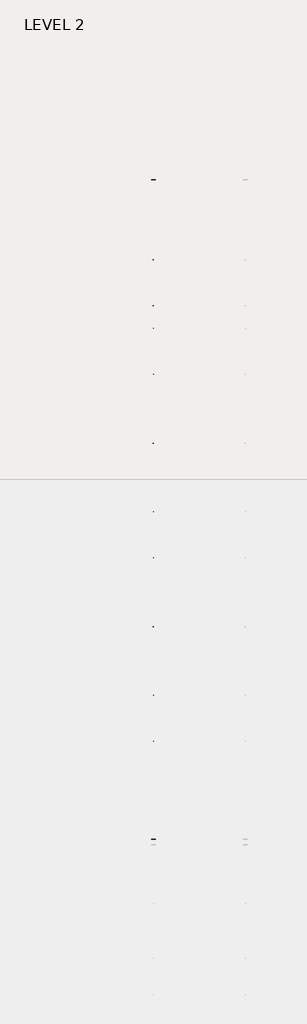
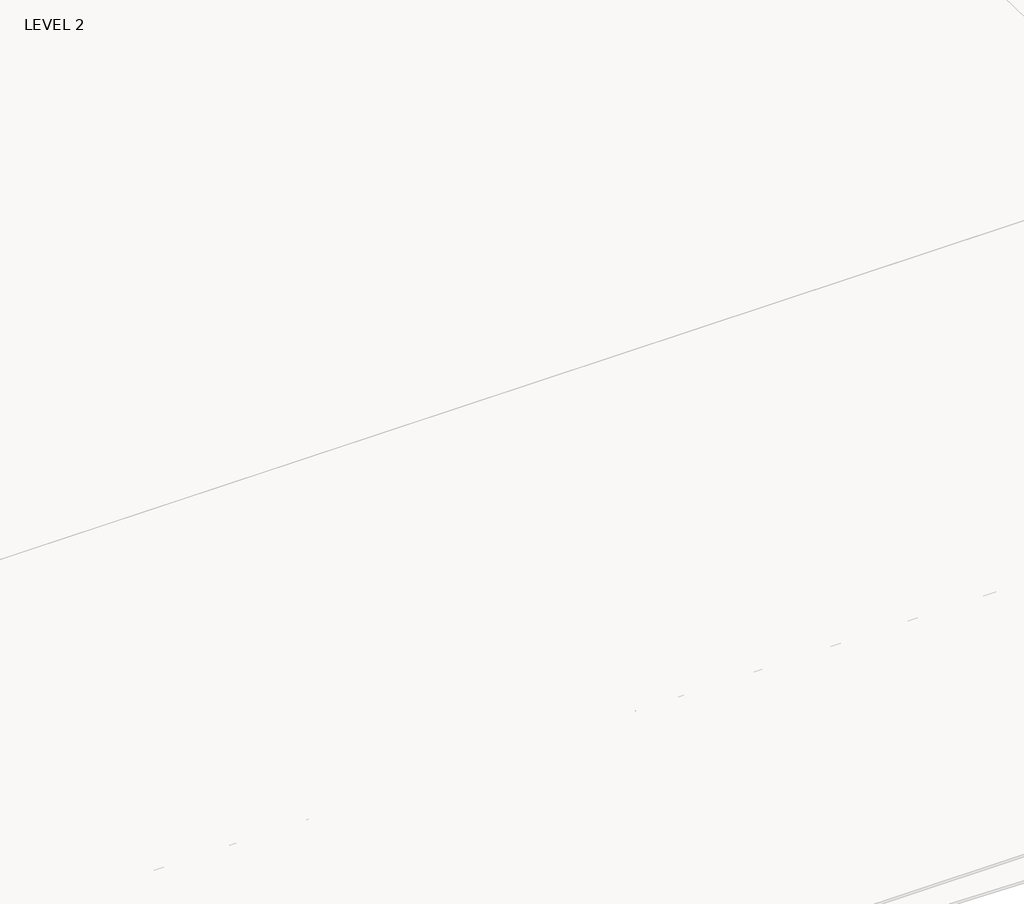
# One storey, part 58 of 67: 1 beam.
"""IFC4 building model written with IfcOpenShell, lengths in millimetres."""

from ifc_helpers import new_model, si_unit, frame, origin, place, context, project, spatial, polyline, outline, extrude, faceted_brep, element, save

model = new_model("IFC4")

# Units and contexts
model_context = context("Model", 3, world=origin())
ifc_project = project(units=[si_unit("LENGTHUNIT", "METRE", prefix="MILLI")], contexts=[model_context])

# Site, building, storey
site = spatial("IfcSite", under=ifc_project)
building = spatial("IfcBuilding", under=site)
storey = spatial("IfcBuildingStorey", under=building, Name="LEVEL 2", Elevation=6908.8)

# Beam
placement = place(None, origin())
element("IfcBeam", 1, ObjectType="K-Series Bar Joist-Angle Web : 30K7", at=placement, inside=storey, context=model_context, shape_type="SolidModel", body=[
    extrude(outline(polyline([(0.0, -9.525), (0.0, 0.0), (1596.011582, 0.0), (1596.011582, -9.525), (0.0, -9.525)])), frame((50252.3743742, 3035.5608234, 6301.5998528), z_axis=(0.0, -0.45537207995192985, 0.8903012236317849), x_axis=(0.0, -0.8903012236317849, -0.45537207995192985)), (0.0, 0.0, 1.0), 9.525),
    extrude(outline(polyline([(0.0, -9.525), (0.0, 0.0), (1596.011582, 0.0), (1596.011582, -9.525), (0.0, -9.525)])), frame((50242.8493742, -9405.2089013, 6276.405159), z_axis=(0.0, 0.45176233395621196, 0.8921383265046045), x_axis=(0.0, 0.8921383265046045, -0.45176233395621196)), (0.0, 0.0, 1.0), 9.525),
    extrude(outline(polyline([(4.7625, 4.7625), (4.7625, -4.7625), (-4.7625, -4.7625), (-4.7625, 4.7625), (4.7625, 4.7625)])), frame((50247.6118742, 1612.4610495, 5579.0607987), z_axis=(0.0, 0.5141906943646374, 0.8576758885667779), x_axis=(-1.0, 0.0, 0.0)), (0.0, 0.0, 1.0), 845.0528554),
    extrude(outline(polyline([(4.7625, 4.7625), (4.7625, -4.7625), (-4.7625, -4.7625), (-4.7625, 4.7625), (4.7625, 4.7625)])), frame((50247.6118742, -7979.1942813, 5559.6360505), z_axis=(0.0, -0.5176603441548682, 0.8555862131249332), x_axis=(-1.0, 0.0, 0.0)), (0.0, 0.0, 1.0), 845.0528554),
    extrude(outline(polyline([(0.0, 0.0), (31.75, 0.0), (31.75, -6.35), (6.35, -6.35), (6.35, -31.75), (0.0, -31.75), (0.0, 0.0)])), frame((50252.3743742, -8080.7812131, 5553.0803065), z_axis=(0.0, 0.9999979493462576, 0.0020251674695521043), x_axis=(1.0, 0.0, 0.0)), (0.0, 0.0, 1.0), 9794.875),
    extrude(outline(polyline([(-9.525, 0.0), (-9.525, -31.75), (-15.875, -31.75), (-15.875, -6.35), (-41.275, -6.35), (-41.275, 0.0), (-9.525, 0.0)])), frame((50252.3743742, -8080.7812131, 5553.0803065), z_axis=(0.0, 0.9999979493462576, 0.0020251674695521043), x_axis=(1.0, 0.0, 0.0)), (0.0, 0.0, 1.0), 9794.875),
    extrude(outline(polyline([(-31.75, 0.0), (0.0, 0.0), (0.0, -6.35), (-25.4, -6.35), (-25.4, -31.75), (-31.75, -31.75), (-31.75, 0.0)])), frame((50284.1243742, -9504.5928758, 6248.6982759), z_axis=(0.0, 0.9999979493462576, 0.0020251674695521043), x_axis=(1.0, 0.0, 0.0)), (0.0, 0.0, 1.0), 101.6),
    extrude(outline(polyline([(-41.275, 0.0), (-41.275, -31.75), (-47.625, -31.75), (-47.625, -6.35), (-73.025, -6.35), (-73.025, 0.0), (-41.275, 0.0)])), frame((50284.1243742, -9504.5928758, 6248.6982759), z_axis=(0.0, 0.9999979493462576, 0.0020251674695521043), x_axis=(1.0, 0.0, 0.0)), (0.0, 0.0, 1.0), 101.6),
    extrude(outline(polyline([(0.0, 0.0), (31.75, 0.0), (31.75, -6.35), (6.35, -6.35), (6.35, -31.75), (0.0, -31.75), (0.0, 0.0)])), frame((50242.8493742, 3033.456413, 6274.0899775), z_axis=(0.0, 0.9999979493462576, 0.0020251674695521043), x_axis=(0.0, -0.0020251674695521043, 0.9999979493462576)), (0.0, 0.0, 1.0), 101.6),
    extrude(outline(polyline([(0.0, 41.275), (6.35, 41.275), (6.35, 15.875), (31.75, 15.875), (31.75, 9.525), (0.0, 9.525), (0.0, 41.275)])), frame((50242.8493742, 3033.456413, 6274.0899775), z_axis=(0.0, 0.9999979493462576, 0.0020251674695521043), x_axis=(0.0, -0.0020251674695521043, 0.9999979493462576)), (0.0, 0.0, 1.0), 101.6),
    extrude(outline(polyline([(0.0, 0.0), (31.75, 0.0), (31.75, -6.35), (6.35, -6.35), (6.35, -31.75), (0.0, -31.75), (0.0, 0.0)])), frame((50252.3743742, -9504.7214739, 6312.1981457), z_axis=(0.0, 0.9999979493462576, 0.0020251674695521043), x_axis=(0.0, 0.0020251674695521043, -0.9999979493462576)), (0.0, 0.0, 1.0), 12639.675),
    extrude(outline(polyline([(0.0, 9.525), (0.0, 41.275), (6.35, 41.275), (6.35, 15.875), (31.75, 15.875), (31.75, 9.525), (0.0, 9.525)])), frame((50252.3743742, -9504.7214739, 6312.1981457), z_axis=(0.0, 0.9999979493462576, 0.0020251674695521043), x_axis=(0.0, 0.0020251674695521043, -0.9999979493462576)), (0.0, 0.0, 1.0), 12639.675),
    faceted_brep([(50247.6118742, 1612.4289, 5594.9357661), (50247.6118742, 1612.4674794, 5575.8858052), (50242.8493742, 1612.4674794, 5575.8858052), (50242.8493742, 1612.4289, 5594.9357661), (50247.6118742, 1611.5910583, 5594.9340693), (50247.6118742, 1186.8149607, 6330.6753354), (50247.6118742, 1168.6028414, 6330.6384527), (50247.6118742, 1168.6414208, 6311.5884918), (50247.6118742, 1175.8292494, 6311.6030483), (50247.6118742, 1600.6053471, 5575.8617823), (50242.8493742, 1600.6053471, 5575.8617823), (50242.8493742, 1580.4651011, 5610.7460665), (50242.8493742, 1584.5895575, 5613.1272983), (50242.8493742, 1189.1083632, 6298.1277874), (50242.8493742, 1184.9839067, 6295.7465555), (50242.8493742, 1175.8292494, 6311.6030483), (50242.8493742, 1168.6414208, 6311.5884918), (50242.8493742, 1168.6028414, 6330.6384527), (50242.8493742, 1186.8149607, 6330.6753354), (50242.8493742, 1611.5910583, 5594.9340693), (50230.1493742, 1184.9839067, 6295.7465555), (50230.1493742, 1580.4651011, 5610.7460665), (50230.1493742, 1584.5895575, 5613.1272983), (50230.1493742, 1189.1083632, 6298.1277874)], [[[0, 1, 2, 3]], [[1, 0, 4, 5, 6, 7, 8, 9]], [[2, 1, 9, 10]], [[3, 2, 10, 11, 12, 13, 14, 15, 16, 17, 18, 19]], [[0, 3, 19, 4]], [[9, 8, 15, 14, 20, 21, 11, 10]], [[5, 4, 19, 18]], [[7, 6, 17, 16]], [[8, 7, 16, 15]], [[6, 5, 18, 17]], [[21, 22, 12, 11]], [[20, 14, 13, 23]], [[22, 21, 20, 23]], [[12, 22, 23, 13]]]),
    extrude(outline(polyline([(740.498813, 5574.119919), (740.4602335, 5593.1698799), (741.2980751, 5593.1715767), (1163.090696, 6330.6272897), (1181.3028154, 6330.6641723), (1181.3413948, 6311.6142114), (1174.1535662, 6311.5996548), (752.3609453, 5574.1439418), (740.498813, 5574.119919)])), frame((50247.6118742, 0.0, 0.0), z_axis=(1.0, 0.0, 0.0), x_axis=(0.0, 1.0, 0.0)), (0.0, 0.0, 1.0), 4.7625),
    extrude(outline(polyline([(-4.7625, 4.7625), (-4.7625, 0.0), (-17.4625, 0.0), (-17.4625, 4.7625), (-4.7625, 4.7625)])), frame((50247.6118742, 772.3597334, 5609.1095144), z_axis=(0.0, 0.4964843899757221, 0.8680456500152716), x_axis=(-1.0, 0.0, 0.0)), (0.0, 0.0, 1.0), 790.9684223),
    faceted_brep([(50247.6118742, -7107.2577644, 5577.2769041), (50247.6118742, -7107.219185, 5558.2269432), (50242.8493742, -7107.219185, 5558.2269432), (50242.8493742, -7107.2577644, 5577.2769041), (50247.6118742, -7108.095606, 5577.2752074), (50247.6118742, -7532.8717036, 6313.0164734), (50247.6118742, -7551.083823, 6312.9795907), (50247.6118742, -7551.0452435, 6293.9296298), (50247.6118742, -7543.8574149, 6293.9441864), (50247.6118742, -7119.0813173, 5558.2029203), (50242.8493742, -7119.0813173, 5558.2029203), (50242.8493742, -7139.2215633, 5593.0872045), (50242.8493742, -7135.0971068, 5595.4684363), (50242.8493742, -7530.5783012, 6280.4689254), (50242.8493742, -7534.7027576, 6278.0876936), (50242.8493742, -7543.8574149, 6293.9441864), (50242.8493742, -7551.0452435, 6293.9296298), (50242.8493742, -7551.083823, 6312.9795907), (50242.8493742, -7532.8717036, 6313.0164734), (50242.8493742, -7108.095606, 5577.2752074), (50230.1493742, -7534.7027576, 6278.0876936), (50230.1493742, -7139.2215633, 5593.0872045), (50230.1493742, -7135.0971068, 5595.4684363), (50230.1493742, -7530.5783012, 6280.4689254)], [[[0, 1, 2, 3]], [[1, 0, 4, 5, 6, 7, 8, 9]], [[2, 1, 9, 10]], [[3, 2, 10, 11, 12, 13, 14, 15, 16, 17, 18, 19]], [[0, 3, 19, 4]], [[9, 8, 15, 14, 20, 21, 11, 10]], [[5, 4, 19, 18]], [[7, 6, 17, 16]], [[8, 7, 16, 15]], [[6, 5, 18, 17]], [[21, 22, 12, 11]], [[20, 14, 13, 23]], [[22, 21, 20, 23]], [[12, 22, 23, 13]]]),
    extrude(outline(polyline([(-7979.1878514, 5556.461057), (-7979.2264308, 5575.5110179), (-7978.3885892, 5575.5127147), (-7556.5959683, 6312.9684277), (-7538.383849, 6313.0053103), (-7538.3452696, 6293.9553494), (-7545.5330982, 6293.9407928), (-7967.3257191, 5556.4850798), (-7979.1878514, 5556.461057)])), frame((50247.6118742, 0.0, 0.0), z_axis=(1.0, 0.0, 0.0), x_axis=(0.0, 1.0, 0.0)), (0.0, 0.0, 1.0), 4.7625),
    extrude(outline(polyline([(-4.7625, 4.7625), (-4.7625, 0.0), (-17.4625, 0.0), (-17.4625, 4.7625), (-4.7625, 4.7625)])), frame((50247.6118742, -7947.326931, 5591.4506524), z_axis=(0.0, 0.4964843899757221, 0.8680456500152716), x_axis=(-1.0, 0.0, 0.0)), (0.0, 0.0, 1.0), 790.9684223),
    faceted_brep([(50247.6118742, 740.4602335, 5593.1698799), (50247.6118742, 740.498813, 5574.119919), (50242.8493742, 740.498813, 5574.119919), (50242.8493742, 740.4602335, 5593.1698799), (50247.6118742, 739.6223919, 5593.1681831), (50247.6118742, 314.8462943, 6328.9094492), (50247.6118742, 296.634175, 6328.8725665), (50247.6118742, 296.6727544, 6309.8226056), (50247.6118742, 303.860583, 6309.8371621), (50247.6118742, 728.6366806, 5574.0958961), (50242.8493742, 728.6366806, 5574.0958961), (50242.8493742, 708.4964346, 5608.9801803), (50242.8493742, 712.6208911, 5611.3614121), (50242.8493742, 317.1396968, 6296.3619012), (50242.8493742, 313.0152403, 6293.9806693), (50242.8493742, 303.860583, 6309.8371621), (50242.8493742, 296.6727544, 6309.8226056), (50242.8493742, 296.634175, 6328.8725665), (50242.8493742, 314.8462943, 6328.9094492), (50242.8493742, 739.6223919, 5593.1681831), (50230.1493742, 313.0152403, 6293.9806693), (50230.1493742, 708.4964346, 5608.9801803), (50230.1493742, 712.6208911, 5611.3614121), (50230.1493742, 317.1396968, 6296.3619012)], [[[0, 1, 2, 3]], [[1, 0, 4, 5, 6, 7, 8, 9]], [[2, 1, 9, 10]], [[3, 2, 10, 11, 12, 13, 14, 15, 16, 17, 18, 19]], [[0, 3, 19, 4]], [[9, 8, 15, 14, 20, 21, 11, 10]], [[5, 4, 19, 18]], [[7, 6, 17, 16]], [[8, 7, 16, 15]], [[6, 5, 18, 17]], [[21, 22, 12, 11]], [[20, 14, 13, 23]], [[22, 21, 20, 23]], [[12, 22, 23, 13]]]),
    extrude(outline(polyline([(-131.4698535, 5572.3540328), (-131.5084329, 5591.4039937), (-130.6705913, 5591.4056905), (291.1220296, 6328.8614035), (309.3341489, 6328.8982861), (309.3727284, 6309.8483252), (302.1848998, 6309.8337686), (-119.6077211, 5572.3780556), (-131.4698535, 5572.3540328)])), frame((50247.6118742, 0.0, 0.0), z_axis=(1.0, 0.0, 0.0), x_axis=(0.0, 1.0, 0.0)), (0.0, 0.0, 1.0), 4.7625),
    extrude(outline(polyline([(-4.7625, 4.7625), (-4.7625, 0.0), (-17.4625, 0.0), (-17.4625, 4.7625), (-4.7625, 4.7625)])), frame((50247.6118742, -99.6089331, 5607.3436282), z_axis=(0.0, 0.4964843899757221, 0.8680456500152716), x_axis=(-1.0, 0.0, 0.0)), (0.0, 0.0, 1.0), 790.9684223),
    faceted_brep([(50247.6118742, -131.5084329, 5591.4039937), (50247.6118742, -131.4698535, 5572.3540328), (50242.8493742, -131.4698535, 5572.3540328), (50242.8493742, -131.5084329, 5591.4039937), (50247.6118742, -132.3462745, 5591.4022969), (50247.6118742, -557.1223722, 6327.143563), (50247.6118742, -575.3344915, 6327.1066803), (50247.6118742, -575.295912, 6308.0567194), (50247.6118742, -568.1080834, 6308.0712759), (50247.6118742, -143.3319858, 5572.3300099), (50242.8493742, -143.3319858, 5572.3300099), (50242.8493742, -163.4722318, 5607.2142941), (50242.8493742, -159.3477753, 5609.5955259), (50242.8493742, -554.8289697, 6294.596015), (50242.8493742, -558.9534262, 6292.2147831), (50242.8493742, -568.1080834, 6308.0712759), (50242.8493742, -575.295912, 6308.0567194), (50242.8493742, -575.3344915, 6327.1066803), (50242.8493742, -557.1223722, 6327.143563), (50242.8493742, -132.3462745, 5591.4022969), (50230.1493742, -558.9534262, 6292.2147831), (50230.1493742, -163.4722318, 5607.2142941), (50230.1493742, -159.3477753, 5609.5955259), (50230.1493742, -554.8289697, 6294.596015)], [[[0, 1, 2, 3]], [[1, 0, 4, 5, 6, 7, 8, 9]], [[2, 1, 9, 10]], [[3, 2, 10, 11, 12, 13, 14, 15, 16, 17, 18, 19]], [[0, 3, 19, 4]], [[9, 8, 15, 14, 20, 21, 11, 10]], [[5, 4, 19, 18]], [[7, 6, 17, 16]], [[8, 7, 16, 15]], [[6, 5, 18, 17]], [[21, 22, 12, 11]], [[20, 14, 13, 23]], [[22, 21, 20, 23]], [[12, 22, 23, 13]]]),
    extrude(outline(polyline([(-1003.4385199, 5570.5881466), (-1003.4770993, 5589.6381075), (-1002.6392577, 5589.6398043), (-580.8466368, 6327.0955173), (-562.6345175, 6327.1323999), (-562.5959381, 6308.082439), (-569.7837667, 6308.0678824), (-991.5763876, 5570.6121694), (-1003.4385199, 5570.5881466)])), frame((50247.6118742, 0.0, 0.0), z_axis=(1.0, 0.0, 0.0), x_axis=(0.0, 1.0, 0.0)), (0.0, 0.0, 1.0), 4.7625),
    extrude(outline(polyline([(-4.7625, 4.7625), (-4.7625, 0.0), (-17.4625, 0.0), (-17.4625, 4.7625), (-4.7625, 4.7625)])), frame((50247.6118742, -971.5775995, 5605.577742), z_axis=(0.0, 0.4964843899757221, 0.8680456500152716), x_axis=(-1.0, 0.0, 0.0)), (0.0, 0.0, 1.0), 790.9684223),
    faceted_brep([(50247.6118742, -1003.4770993, 5589.6381075), (50247.6118742, -1003.4385199, 5570.5881466), (50242.8493742, -1003.4385199, 5570.5881466), (50242.8493742, -1003.4770993, 5589.6381075), (50247.6118742, -1004.314941, 5589.6364107), (50247.6118742, -1429.0910386, 6325.3776768), (50247.6118742, -1447.3031579, 6325.3407941), (50247.6118742, -1447.2645785, 6306.2908332), (50247.6118742, -1440.0767499, 6306.3053897), (50247.6118742, -1015.3006522, 5570.5641237), (50242.8493742, -1015.3006522, 5570.5641237), (50242.8493742, -1035.4408983, 5605.4484079), (50242.8493742, -1031.3164418, 5607.8296397), (50242.8493742, -1426.7976361, 6292.8301288), (50242.8493742, -1430.9220926, 6290.4488969), (50242.8493742, -1440.0767499, 6306.3053897), (50242.8493742, -1447.2645785, 6306.2908332), (50242.8493742, -1447.3031579, 6325.3407941), (50242.8493742, -1429.0910386, 6325.3776768), (50242.8493742, -1004.314941, 5589.6364107), (50230.1493742, -1430.9220926, 6290.4488969), (50230.1493742, -1035.4408983, 5605.4484079), (50230.1493742, -1031.3164418, 5607.8296397), (50230.1493742, -1426.7976361, 6292.8301288)], [[[0, 1, 2, 3]], [[1, 0, 4, 5, 6, 7, 8, 9]], [[2, 1, 9, 10]], [[3, 2, 10, 11, 12, 13, 14, 15, 16, 17, 18, 19]], [[0, 3, 19, 4]], [[9, 8, 15, 14, 20, 21, 11, 10]], [[5, 4, 19, 18]], [[7, 6, 17, 16]], [[8, 7, 16, 15]], [[6, 5, 18, 17]], [[21, 22, 12, 11]], [[20, 14, 13, 23]], [[22, 21, 20, 23]], [[12, 22, 23, 13]]]),
    extrude(outline(polyline([(-1875.4071863, 5568.8222604), (-1875.4457658, 5587.8722213), (-1874.6079242, 5587.8739181), (-1452.8153033, 6325.3296311), (-1434.6031839, 6325.3665137), (-1434.5646045, 6306.3165528), (-1441.7524331, 6306.3019962), (-1863.545054, 5568.8462832), (-1875.4071863, 5568.8222604)])), frame((50247.6118742, 0.0, 0.0), z_axis=(1.0, 0.0, 0.0), x_axis=(0.0, 1.0, 0.0)), (0.0, 0.0, 1.0), 4.7625),
    extrude(outline(polyline([(-4.7625, 4.7625001), (-4.7625, 0.0), (-17.4625, 0.0), (-17.4625, 4.7625001), (-4.7625, 4.7625001)])), frame((50247.6118742, -1843.5462659, 5603.8118558), z_axis=(0.0, 0.4964843899757221, 0.8680456500152716), x_axis=(-1.0, 0.0, 0.0)), (0.0, 0.0, 1.0), 790.9684223),
    faceted_brep([(50247.6118742, -1875.4457658, 5587.8722213), (50247.6118742, -1875.4071863, 5568.8222604), (50242.8493742, -1875.4071863, 5568.8222604), (50242.8493742, -1875.4457658, 5587.8722213), (50247.6118742, -1876.2836074, 5587.8705245), (50247.6118742, -2301.059705, 6323.6117906), (50247.6118742, -2319.2718243, 6323.5749079), (50247.6118742, -2319.2332449, 6304.524947), (50247.6118742, -2312.0454163, 6304.5395035), (50247.6118742, -1887.2693187, 5568.7982375), (50242.8493742, -1887.2693187, 5568.7982375), (50242.8493742, -1907.4095647, 5603.6825217), (50242.8493742, -1903.2851082, 5606.0637535), (50242.8493742, -2298.7663026, 6291.0642426), (50242.8493742, -2302.890759, 6288.6830107), (50242.8493742, -2312.0454163, 6304.5395035), (50242.8493742, -2319.2332449, 6304.524947), (50242.8493742, -2319.2718243, 6323.5749079), (50242.8493742, -2301.059705, 6323.6117906), (50242.8493742, -1876.2836074, 5587.8705245), (50230.1493742, -2302.890759, 6288.6830107), (50230.1493742, -1907.4095647, 5603.6825217), (50230.1493742, -1903.2851082, 5606.0637535), (50230.1493742, -2298.7663026, 6291.0642426)], [[[0, 1, 2, 3]], [[1, 0, 4, 5, 6, 7, 8, 9]], [[2, 1, 9, 10]], [[3, 2, 10, 11, 12, 13, 14, 15, 16, 17, 18, 19]], [[0, 3, 19, 4]], [[9, 8, 15, 14, 20, 21, 11, 10]], [[5, 4, 19, 18]], [[7, 6, 17, 16]], [[8, 7, 16, 15]], [[6, 5, 18, 17]], [[21, 22, 12, 11]], [[20, 14, 13, 23]], [[22, 21, 20, 23]], [[12, 22, 23, 13]]]),
    extrude(outline(polyline([(-2747.3758528, 5567.0563742), (-2747.4144322, 5586.1063351), (-2746.5765906, 5586.1080319), (-2324.7839697, 6323.5637449), (-2306.5718504, 6323.6006275), (-2306.5332709, 6304.5506666), (-2313.7210995, 6304.53611), (-2735.5137204, 5567.080397), (-2747.3758528, 5567.0563742)])), frame((50247.6118742, 0.0, 0.0), z_axis=(1.0, 0.0, 0.0), x_axis=(0.0, 1.0, 0.0)), (0.0, 0.0, 1.0), 4.7625),
    extrude(outline(polyline([(-4.7625, 4.7625), (-4.7625, 0.0), (-17.4625, 0.0), (-17.4625, 4.7625), (-4.7625, 4.7625)])), frame((50247.6118742, -2715.5149324, 5602.0459696), z_axis=(0.0, 0.4964843899757221, 0.8680456500152716), x_axis=(-1.0, 0.0, 0.0)), (0.0, 0.0, 1.0), 790.9684223),
    faceted_brep([(50247.6118742, -2747.4144322, 5586.1063351), (50247.6118742, -2747.3758528, 5567.0563742), (50242.8493742, -2747.3758528, 5567.0563742), (50242.8493742, -2747.4144322, 5586.1063351), (50247.6118742, -2748.2522738, 5586.1046383), (50247.6118742, -3173.0283715, 6321.8459044), (50247.6118742, -3191.2404908, 6321.8090217), (50247.6118742, -3191.2019113, 6302.7590608), (50247.6118742, -3184.0140827, 6302.7736173), (50247.6118742, -2759.2379851, 5567.0323513), (50242.8493742, -2759.2379851, 5567.0323513), (50242.8493742, -2779.3782311, 5601.9166355), (50242.8493742, -2775.2537747, 5604.2978673), (50242.8493742, -3170.734969, 6289.2983564), (50242.8493742, -3174.8594255, 6286.9171245), (50242.8493742, -3184.0140827, 6302.7736173), (50242.8493742, -3191.2019113, 6302.7590608), (50242.8493742, -3191.2404908, 6321.8090217), (50242.8493742, -3173.0283715, 6321.8459044), (50242.8493742, -2748.2522738, 5586.1046383), (50230.1493742, -3174.8594255, 6286.9171245), (50230.1493742, -2779.3782311, 5601.9166355), (50230.1493742, -2775.2537747, 5604.2978673), (50230.1493742, -3170.734969, 6289.2983564)], [[[0, 1, 2, 3]], [[1, 0, 4, 5, 6, 7, 8, 9]], [[2, 1, 9, 10]], [[3, 2, 10, 11, 12, 13, 14, 15, 16, 17, 18, 19]], [[0, 3, 19, 4]], [[9, 8, 15, 14, 20, 21, 11, 10]], [[5, 4, 19, 18]], [[7, 6, 17, 16]], [[8, 7, 16, 15]], [[6, 5, 18, 17]], [[21, 22, 12, 11]], [[20, 14, 13, 23]], [[22, 21, 20, 23]], [[12, 22, 23, 13]]]),
    extrude(outline(polyline([(-3619.3445192, 5565.290488), (-3619.3830987, 5584.3404489), (-3618.545257, 5584.3421457), (-3196.7526361, 6321.7978587), (-3178.5405168, 6321.8347413), (-3178.5019374, 6302.7847804), (-3185.689766, 6302.7702238), (-3607.4823869, 5565.3145108), (-3619.3445192, 5565.290488)])), frame((50247.6118742, 0.0, 0.0), z_axis=(1.0, 0.0, 0.0), x_axis=(0.0, 1.0, 0.0)), (0.0, 0.0, 1.0), 4.7625),
    extrude(outline(polyline([(-4.7625, 4.7625), (-4.7625, 0.0), (-17.4625, 0.0), (-17.4625, 4.7625), (-4.7625, 4.7625)])), frame((50247.6118742, -3587.4835988, 5600.2800834), z_axis=(0.0, 0.4964843899757221, 0.8680456500152716), x_axis=(-1.0, 0.0, 0.0)), (0.0, 0.0, 1.0), 790.9684223),
    faceted_brep([(50247.6118742, -3619.3830987, 5584.3404489), (50247.6118742, -3619.3445192, 5565.290488), (50242.8493742, -3619.3445192, 5565.290488), (50242.8493742, -3619.3830987, 5584.3404489), (50247.6118742, -3620.2209403, 5584.3387521), (50247.6118742, -4044.9970379, 6320.0800182), (50247.6118742, -4063.2091572, 6320.0431355), (50247.6118742, -4063.1705778, 6300.9931746), (50247.6118742, -4055.9827492, 6301.0077311), (50247.6118742, -3631.2066516, 5565.2664651), (50242.8493742, -3631.2066516, 5565.2664651), (50242.8493742, -3651.3468976, 5600.1507493), (50242.8493742, -3647.2224411, 5602.5319811), (50242.8493742, -4042.7036354, 6287.5324702), (50242.8493742, -4046.8280919, 6285.1512383), (50242.8493742, -4055.9827492, 6301.0077311), (50242.8493742, -4063.1705778, 6300.9931746), (50242.8493742, -4063.2091572, 6320.0431355), (50242.8493742, -4044.9970379, 6320.0800182), (50242.8493742, -3620.2209403, 5584.3387521), (50230.1493742, -4046.8280919, 6285.1512383), (50230.1493742, -3651.3468976, 5600.1507493), (50230.1493742, -3647.2224411, 5602.5319811), (50230.1493742, -4042.7036354, 6287.5324702)], [[[0, 1, 2, 3]], [[1, 0, 4, 5, 6, 7, 8, 9]], [[2, 1, 9, 10]], [[3, 2, 10, 11, 12, 13, 14, 15, 16, 17, 18, 19]], [[0, 3, 19, 4]], [[9, 8, 15, 14, 20, 21, 11, 10]], [[5, 4, 19, 18]], [[7, 6, 17, 16]], [[8, 7, 16, 15]], [[6, 5, 18, 17]], [[21, 22, 12, 11]], [[20, 14, 13, 23]], [[22, 21, 20, 23]], [[12, 22, 23, 13]]]),
    extrude(outline(polyline([(-4491.3131857, 5563.5246018), (-4491.3517651, 5582.5745627), (-4490.5139235, 5582.5762595), (-4068.7213026, 6320.0319725), (-4050.5091833, 6320.0688551), (-4050.4706038, 6301.0188942), (-4057.6584324, 6301.0043376), (-4479.4510533, 5563.5486246), (-4491.3131857, 5563.5246018)])), frame((50247.6118742, 0.0, 0.0), z_axis=(1.0, 0.0, 0.0), x_axis=(0.0, 1.0, 0.0)), (0.0, 0.0, 1.0), 4.7625),
    extrude(outline(polyline([(-4.7625, 4.7625), (-4.7625, 0.0), (-17.4625, 0.0), (-17.4625, 4.7625), (-4.7625, 4.7625)])), frame((50247.6118742, -4459.4522653, 5598.5141972), z_axis=(0.0, 0.4964843899757221, 0.8680456500152716), x_axis=(-1.0, 0.0, 0.0)), (0.0, 0.0, 1.0), 790.9684223),
    faceted_brep([(50247.6118742, -4491.3517651, 5582.5745627), (50247.6118742, -4491.3131857, 5563.5246018), (50242.8493742, -4491.3131857, 5563.5246018), (50242.8493742, -4491.3517651, 5582.5745627), (50247.6118742, -4492.1896067, 5582.572866), (50247.6118742, -4916.9657043, 6318.314132), (50247.6118742, -4935.1778236, 6318.2772493), (50247.6118742, -4935.1392442, 6299.2272884), (50247.6118742, -4927.9514156, 6299.241845), (50247.6118742, -4503.175318, 5563.5005789), (50242.8493742, -4503.175318, 5563.5005789), (50242.8493742, -4523.315564, 5598.3848631), (50242.8493742, -4519.1911075, 5600.7660949), (50242.8493742, -4914.6723019, 6285.766584), (50242.8493742, -4918.7967583, 6283.3853521), (50242.8493742, -4927.9514156, 6299.241845), (50242.8493742, -4935.1392442, 6299.2272884), (50242.8493742, -4935.1778236, 6318.2772493), (50242.8493742, -4916.9657043, 6318.314132), (50242.8493742, -4492.1896067, 5582.572866), (50230.1493742, -4918.7967583, 6283.3853521), (50230.1493742, -4523.315564, 5598.3848631), (50230.1493742, -4519.1911075, 5600.7660949), (50230.1493742, -4914.6723019, 6285.766584)], [[[0, 1, 2, 3]], [[1, 0, 4, 5, 6, 7, 8, 9]], [[2, 1, 9, 10]], [[3, 2, 10, 11, 12, 13, 14, 15, 16, 17, 18, 19]], [[0, 3, 19, 4]], [[9, 8, 15, 14, 20, 21, 11, 10]], [[5, 4, 19, 18]], [[7, 6, 17, 16]], [[8, 7, 16, 15]], [[6, 5, 18, 17]], [[21, 22, 12, 11]], [[20, 14, 13, 23]], [[22, 21, 20, 23]], [[12, 22, 23, 13]]]),
    extrude(outline(polyline([(-5363.2818521, 5561.7587156), (-5363.3204315, 5580.8086765), (-5362.4825899, 5580.8103733), (-4940.689969, 6318.2660863), (-4922.4778497, 6318.3029689), (-4922.4392703, 6299.253008), (-4929.6270988, 6299.2384514), (-5351.4197198, 5561.7827384), (-5363.2818521, 5561.7587156)])), frame((50247.6118742, 0.0, 0.0), z_axis=(1.0, 0.0, 0.0), x_axis=(0.0, 1.0, 0.0)), (0.0, 0.0, 1.0), 4.7625),
    extrude(outline(polyline([(-4.7625, 4.7625), (-4.7625, 0.0), (-17.4625, 0.0), (-17.4625, 4.7625), (-4.7625, 4.7625)])), frame((50247.6118742, -5331.4209317, 5596.748311), z_axis=(0.0, 0.4964843899757221, 0.8680456500152716), x_axis=(-1.0, 0.0, 0.0)), (0.0, 0.0, 1.0), 790.9684223),
    faceted_brep([(50247.6118742, -5363.3204315, 5580.8086765), (50247.6118742, -5363.2818521, 5561.7587156), (50242.8493742, -5363.2818521, 5561.7587156), (50242.8493742, -5363.3204315, 5580.8086765), (50247.6118742, -5364.1582731, 5580.8069798), (50247.6118742, -5788.9343708, 6316.5482458), (50247.6118742, -5807.1464901, 6316.5113631), (50247.6118742, -5807.1079106, 6297.4614022), (50247.6118742, -5799.920082, 6297.4759588), (50247.6118742, -5375.1439844, 5561.7346927), (50242.8493742, -5375.1439844, 5561.7346927), (50242.8493742, -5395.2842304, 5596.6189769), (50242.8493742, -5391.159774, 5599.0002087), (50242.8493742, -5786.6409683, 6284.0006978), (50242.8493742, -5790.7654248, 6281.6194659), (50242.8493742, -5799.920082, 6297.4759588), (50242.8493742, -5807.1079106, 6297.4614022), (50242.8493742, -5807.1464901, 6316.5113631), (50242.8493742, -5788.9343708, 6316.5482458), (50242.8493742, -5364.1582731, 5580.8069798), (50230.1493742, -5790.7654248, 6281.6194659), (50230.1493742, -5395.2842304, 5596.6189769), (50230.1493742, -5391.159774, 5599.0002087), (50230.1493742, -5786.6409683, 6284.0006978)], [[[0, 1, 2, 3]], [[1, 0, 4, 5, 6, 7, 8, 9]], [[2, 1, 9, 10]], [[3, 2, 10, 11, 12, 13, 14, 15, 16, 17, 18, 19]], [[0, 3, 19, 4]], [[9, 8, 15, 14, 20, 21, 11, 10]], [[5, 4, 19, 18]], [[7, 6, 17, 16]], [[8, 7, 16, 15]], [[6, 5, 18, 17]], [[21, 22, 12, 11]], [[20, 14, 13, 23]], [[22, 21, 20, 23]], [[12, 22, 23, 13]]]),
    extrude(outline(polyline([(-6235.2505185, 5559.9928294), (-6235.289098, 5579.0427903), (-6234.4512563, 5579.0444871), (-5812.6586354, 6316.5002001), (-5794.4465161, 6316.5370827), (-5794.4079367, 6297.4871218), (-5801.5957653, 6297.4725652), (-6223.3883862, 5560.0168522), (-6235.2505185, 5559.9928294)])), frame((50247.6118742, 0.0, 0.0), z_axis=(1.0, 0.0, 0.0), x_axis=(0.0, 1.0, 0.0)), (0.0, 0.0, 1.0), 4.7625),
    extrude(outline(polyline([(-4.7625, 4.7625), (-4.7625, 0.0), (-17.4625, 0.0), (-17.4625, 4.7625), (-4.7625, 4.7625)])), frame((50247.6118742, -6203.3895981, 5594.9824248), z_axis=(0.0, 0.4964843899757221, 0.8680456500152716), x_axis=(-1.0, 0.0, 0.0)), (0.0, 0.0, 1.0), 790.9684223),
    faceted_brep([(50247.6118742, -6235.289098, 5579.0427903), (50247.6118742, -6235.2505185, 5559.9928294), (50242.8493742, -6235.2505185, 5559.9928294), (50242.8493742, -6235.289098, 5579.0427903), (50247.6118742, -6236.1269396, 5579.0410936), (50247.6118742, -6660.9030372, 6314.7823596), (50247.6118742, -6679.1151565, 6314.7454769), (50247.6118742, -6679.0765771, 6295.695516), (50247.6118742, -6671.8887485, 6295.7100726), (50247.6118742, -6247.1126509, 5559.9688065), (50242.8493742, -6247.1126509, 5559.9688065), (50242.8493742, -6267.2528969, 5594.8530907), (50242.8493742, -6263.1284404, 5597.2343225), (50242.8493742, -6658.6096347, 6282.2348116), (50242.8493742, -6662.7340912, 6279.8535798), (50242.8493742, -6671.8887485, 6295.7100726), (50242.8493742, -6679.0765771, 6295.695516), (50242.8493742, -6679.1151565, 6314.7454769), (50242.8493742, -6660.9030372, 6314.7823596), (50242.8493742, -6236.1269396, 5579.0410936), (50230.1493742, -6662.7340912, 6279.8535798), (50230.1493742, -6267.2528969, 5594.8530907), (50230.1493742, -6263.1284404, 5597.2343225), (50230.1493742, -6658.6096347, 6282.2348116)], [[[0, 1, 2, 3]], [[1, 0, 4, 5, 6, 7, 8, 9]], [[2, 1, 9, 10]], [[3, 2, 10, 11, 12, 13, 14, 15, 16, 17, 18, 19]], [[0, 3, 19, 4]], [[9, 8, 15, 14, 20, 21, 11, 10]], [[5, 4, 19, 18]], [[7, 6, 17, 16]], [[8, 7, 16, 15]], [[6, 5, 18, 17]], [[21, 22, 12, 11]], [[20, 14, 13, 23]], [[22, 21, 20, 23]], [[12, 22, 23, 13]]]),
    extrude(outline(polyline([(-7107.219185, 5558.2269432), (-7107.2577644, 5577.2769041), (-7106.4199228, 5577.2786009), (-6684.6273019, 6314.7343139), (-6666.4151826, 6314.7711965), (-6666.3766031, 6295.7212356), (-6673.5644317, 6295.706679), (-7095.3570526, 5558.250966), (-7107.219185, 5558.2269432)])), frame((50247.6118742, 0.0, 0.0), z_axis=(1.0, 0.0, 0.0), x_axis=(0.0, 1.0, 0.0)), (0.0, 0.0, 1.0), 4.7625),
    extrude(outline(polyline([(-4.7625, 4.7625), (-4.7625, 0.0), (-17.4625, 0.0), (-17.4625, 4.7625), (-4.7625, 4.7625)])), frame((50247.6118742, -7075.3582646, 5593.2165386), z_axis=(0.0, 0.4964843899757221, 0.8680456500152716), x_axis=(-1.0, 0.0, 0.0)), (0.0, 0.0, 1.0), 790.9684223),
])

save(model, "model.ifc")
